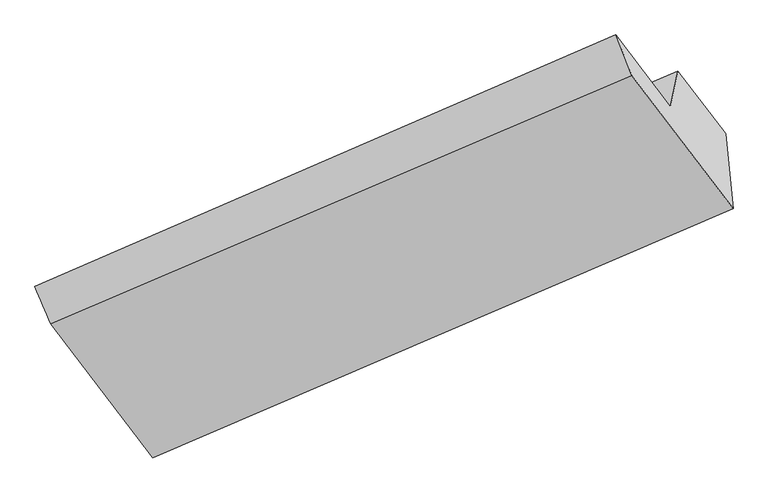
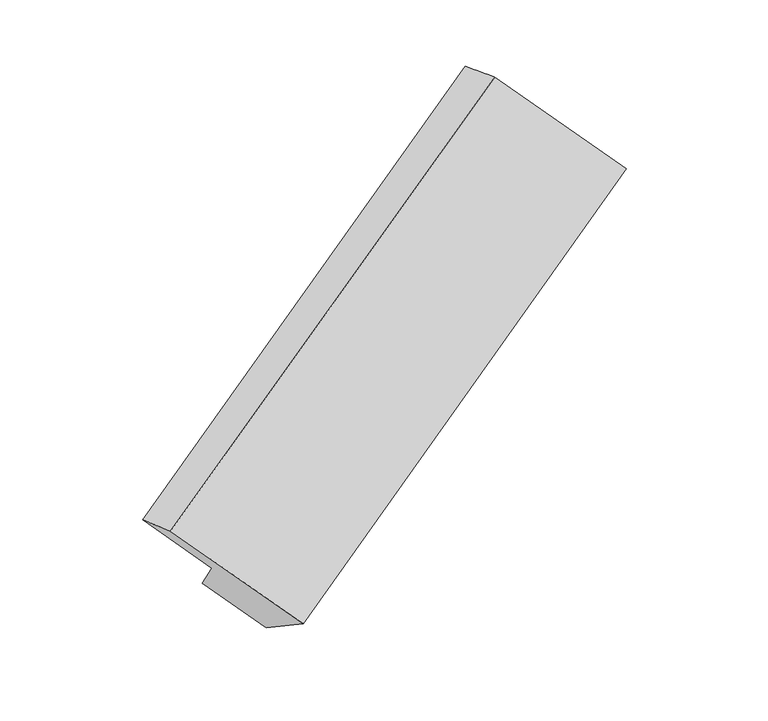
"""IFC4 building model written with IfcOpenShell, lengths in millimetres: proxy geometry."""

from ifc_helpers import new_model, si_unit, frame, origin, place, context, project, spatial, source, transform, mapped, element, save
from ifc_brep_helpers import plane_surface, spline_surface, advanced_brep


def generic_models_f1d0cb02(model_context):
    return source(origin(), model_context, "Body", "AdvancedBrep", [
        advanced_brep(
        [(-5199.6480084, -2163.4295227, 1326.4281112), (-4487.1956135, -3099.1111725, 720.8802187), (-427.24035, -1354.8911047, 2780.6053742), (-1134.3067675, -426.2829944, 3381.575463), (-5310.2927557, -1901.8821282, 1318.9511669), (-1246.4903157, -139.4877806, 3355.1201176), (-4938.9335003, -2389.5975787, 1003.3148998), (-865.2709181, -640.1528039, 3031.1032367), (-4886.3976711, -2141.415334, 681.6387826), (-812.7350889, -391.9705592, 2709.4271196), (-4543.7613064, -2591.4082896, 390.4154953), (-479.9588665, -829.013942, 2426.584446)],
        [
            (0, 1),
            (1, 2),
            (2, 3),
            (3, 0),
            (4, 0),
            (3, 5),
            (5, 4),
            (6, 4),
            (5, 7),
            (7, 6),
            (8, 6),
            (7, 9),
            (9, 8),
            (10, 8),
            (9, 11),
            (11, 10),
            (1, 10),
            (11, 2),
        ],
        [
            plane_surface(frame((-4843.421811, -2631.2703476, 1023.6541649), z_axis=(-0.13506736139383768, -0.608777145292426, 0.7817590391263225), x_axis=(0.5385977339102841, -0.7073539507540301, -0.4577803724269664))),
            spline_surface(1, 1, [[(-5310.2927557, -1901.8821282, 1318.9511669), (-1246.4903157, -139.4877806, 3355.1201176)], [(-5199.6480084, -2163.4295227, 1326.4281112), (-1134.3067675, -426.2829944, 3381.575463)]], [2, 2], [2, 2], [0.0, 1.0], [0.0, 1.0]),
            plane_surface(frame((-5124.613128, -2145.7398534, 1161.1330334), z_axis=(0.1299471125781416, 0.6065551302705964, -0.7843498083604177), x_axis=(-0.5385977339102893, 0.7073539507540233, 0.4577803724269709))),
            plane_surface(frame((-4912.6655857, -2265.5064563, 842.4768412), z_axis=(-0.5337533974732073, 0.7094567462984669, 0.46019391110422303), x_axis=(-0.12823921200638883, -0.6058093294502417, 0.785206826801085))),
            plane_surface(frame((-4715.0794888, -2366.4118118, 536.027139), z_axis=(0.1299471125781557, 0.6065551302705793, -0.7843498083604283), x_axis=(-0.5385977339102663, 0.7073539507540467, 0.4577803724269615))),
            spline_surface(1, 1, [[(-4487.1956135, -3099.1111725, 720.8802187), (-427.24035, -1354.8911047, 2780.6053742)], [(-4543.7613064, -2591.4082896, 390.4154953), (-479.9588665, -829.013942, 2426.584446)]], [2, 2], [2, 2], [0.0, 1.0], [0.0, 1.0]),
            plane_surface(frame((-827.6670511, -630.2998641, 2947.4026262), z_axis=(0.8327467715522426, 0.36420522333392735, 0.4169980452779139), x_axis=(-0.12823921200638883, -0.6058093294502417, 0.785206826801085))),
            plane_surface(frame((-4894.3714759, -2381.1406709, 906.9381124), z_axis=(-0.8327467715522568, -0.3642052233339584, -0.4169980452778587), x_axis=(-0.5385977339102793, 0.7073539507540308, 0.4577803724269708))),
        ],
        [
            (0, [[1, 2, 3, 4]]),
            (1, [[5, -4, 6, 7]]),
            (2, [[8, -7, 9, 10]]),
            (3, [[11, -10, 12, 13]]),
            (4, [[14, -13, 15, 16]]),
            (5, [[17, -16, 18, -2]]),
            (6, [[-12, -9, -6, -3, -18, -15]]),
            (7, [[-1, -5, -8, -11, -14, -17]]),
        ],
    ),
    ])


if __name__ == "__main__":
    model = new_model("IFC4")
    model_context = context("Model", 3, world=origin())
    ifc_project = project(units=[si_unit("LENGTHUNIT", "METRE", prefix="MILLI")], contexts=[model_context])
    site = spatial("IfcSite", under=ifc_project)
    building = spatial("IfcBuilding", under=site)
    placement = place(None, origin())
    generic_models_shape = generic_models_f1d0cb02(model_context)
    element("IfcBuildingElementProxy", 1, Name="Generic Models", at=placement, inside=building, context=model_context, shape_type="MappedRepresentation", body=[
        mapped(generic_models_shape, transform((0.0, 0.0, 0.0), x_axis=(1.0, 0.0, 0.0), y_axis=(0.0, 1.0, 0.0), z_axis=(0.0, 0.0, 1.0))),
    ])
    save(model, "model.ifc")
